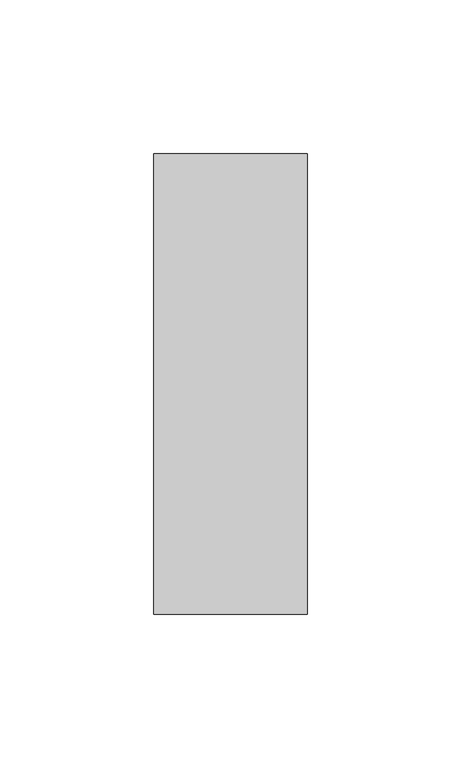
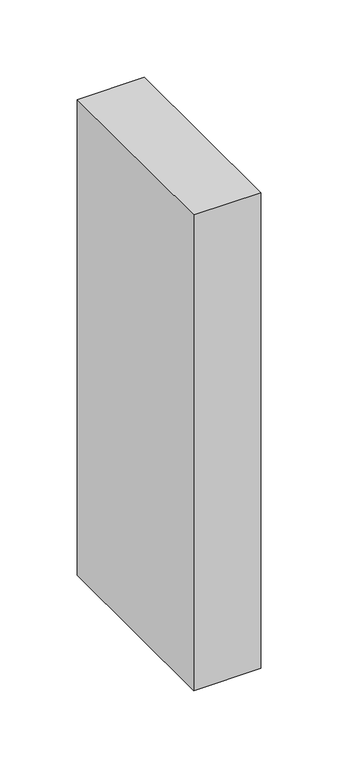
"""IFC4 building model written with IfcOpenShell, lengths in millimetres: member geometry."""

from ifc_helpers import new_model, si_unit, frame, origin, place, context, project, spatial, polyline, outline, extrude, source, transform, mapped, element, save


def member_55273b40(model_context):
    return source(origin(), model_context, "Body", "SweptSolid", [
        extrude(outline(polyline([(25.0, 75.0), (25.0, -75.0), (-25.0, -75.0), (-25.0, 75.0), (25.0, 75.0)])), frame((0.0, 0.0, -375.0), z_axis=(0.0, 0.0, 1.0), x_axis=(1.0, 0.0, 0.0)), (0.0, 0.0, 1.0), 375.0),
    ])


if __name__ == "__main__":
    model = new_model("IFC4")
    model_context = context("Model", 3, world=origin())
    ifc_project = project(units=[si_unit("LENGTHUNIT", "METRE", prefix="MILLI")], contexts=[model_context])
    site = spatial("IfcSite", under=ifc_project)
    building = spatial("IfcBuilding", under=site)
    placement = place(None, origin())
    member_shape = member_55273b40(model_context)
    element("IfcMember", 1, at=placement, inside=building, context=model_context, shape_type="MappedRepresentation", body=[
        mapped(member_shape, transform((0.0, 0.0, 0.0), x_axis=(1.0, 0.0, 0.0), y_axis=(0.0, 1.0, 0.0), z_axis=(0.0, 0.0, 1.0))),
    ])
    save(model, "model.ifc")
